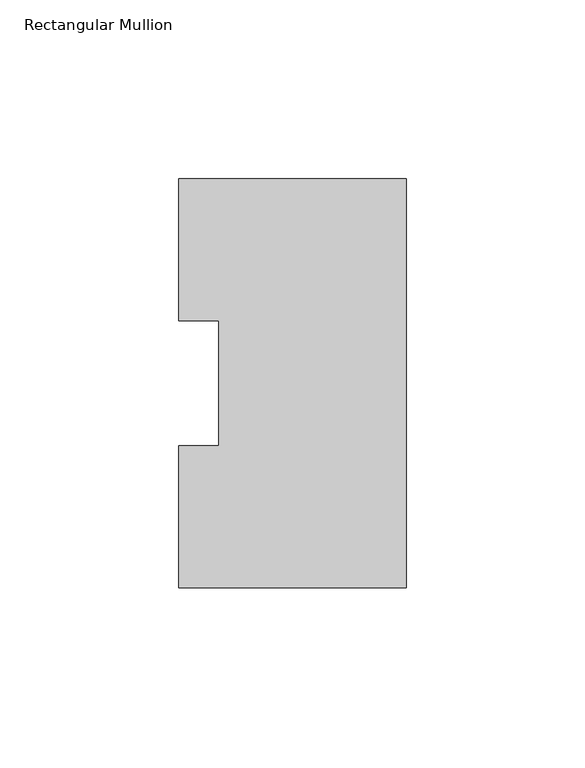
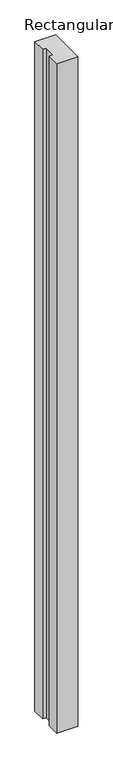
"""IFC4 building model written with IfcOpenShell, lengths in millimetres: member geometry, Rectangular Mullion."""

from ifc_helpers import new_model, si_unit, frame, origin, place, context, project, spatial, polyline, outline, extrude, source, transform, mapped, element, save


def rectangular_mullion_e831be2f(model_context):
    return source(origin(), model_context, "Body", "SweptSolid", [
        extrude(outline(polyline([(-63.5, 114.271425), (0.0, 114.271425), (0.0, -0.028575), (-63.5, -0.028575), (-63.5, 39.646225), (-52.3875, 39.646225), (-52.3875, 74.596625), (-63.5, 74.596625), (-63.5, 114.271425)])), frame((0.0, 0.0, -2133.6), z_axis=(0.0, 0.0, 1.0), x_axis=(1.0, 0.0, 0.0)), (0.0, 0.0, 1.0), 2133.6),
    ])


if __name__ == "__main__":
    model = new_model("IFC4")
    model_context = context("Model", 3, world=origin())
    ifc_project = project(units=[si_unit("LENGTHUNIT", "METRE", prefix="MILLI")], contexts=[model_context])
    site = spatial("IfcSite", under=ifc_project)
    building = spatial("IfcBuilding", under=site)
    placement = place(None, origin())
    rectangular_mullion_shape = rectangular_mullion_e831be2f(model_context)
    element("IfcMember", 1, ObjectType="Rectangular Mullion", at=placement, inside=building, context=model_context, shape_type="MappedRepresentation", body=[
        mapped(rectangular_mullion_shape, transform((0.0, 0.0, 0.0), x_axis=(1.0, 0.0, 0.0), y_axis=(0.0, 1.0, 0.0), z_axis=(0.0, 0.0, 1.0))),
    ])
    save(model, "model.ifc")
